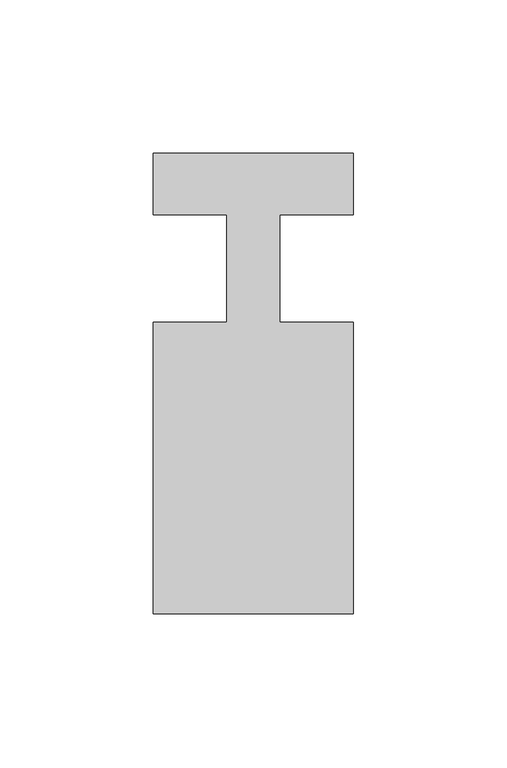
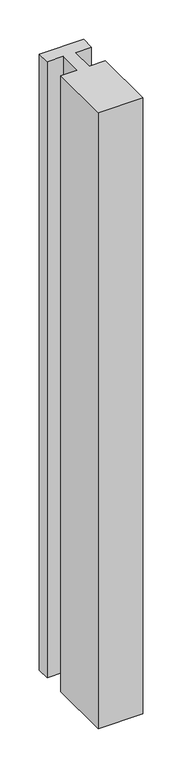
"""IFC4 building model written with IfcOpenShell, lengths in millimetres: member geometry."""

import ifcopenshell
import ifcopenshell.guid

model = None  # the IFC model being written
_history = None  # IfcOwnerHistory: only IFC2X3 demands one
_inside = {}  # id of a spatial element -> (the spatial element, [elements in it])
_under = {}  # id of a project, library or spatial element -> (it, [spatial elements below it])
_declared = {}  # id of a project -> (the project, [libraries it declares])
_typed = {}  # id of a type object -> (the type object, [elements of that type])
_made_of = {}  # id of a material, layer set ... -> (it, [elements and type objects made of it])


def new_model(schema):
    """Start an empty IFC model of exactly this schema.

    Asked for "IFC4X3", IfcOpenShell would pick the latest addendum, in which some entities
    have other attributes; the version numbers below select the first issue.
    IFC2X3 requires an IfcOwnerHistory on every rooted entity: one is made here for all.
    """
    global model, _history
    if schema == "IFC4X3":
        model = ifcopenshell.file(schema_version=(4, 3, 0, 0))
    else:
        model = ifcopenshell.file(schema=schema)
    _inside.clear()
    _under.clear()
    _declared.clear()
    _typed.clear()
    _made_of.clear()
    _history = None
    if model.schema == "IFC2X3":
        org = make("IfcOrganization", Name="unknown")
        user = make(
            "IfcPersonAndOrganization",
            ThePerson=make("IfcPerson", FamilyName="unknown"),
            TheOrganization=org,
        )
        app = make(
            "IfcApplication",
            ApplicationDeveloper=org,
            Version="unknown",
            ApplicationFullName="unknown",
            ApplicationIdentifier="unknown",
        )
        _history = make(
            "IfcOwnerHistory",
            OwningUser=user,
            OwningApplication=app,
            ChangeAction="ADDED",
            CreationDate=0,
        )
    return model


def make(cls, **values):
    """One entity of the class cls with the attributes given. An attribute that is None is left unset."""
    return model.create_entity(
        cls, **{name: value for name, value in values.items() if value is not None}
    )


def rooted(cls, **values):
    """An entity with a GlobalId (a new one), such as an element, a storey or a relation."""
    return make(cls, GlobalId=ifcopenshell.guid.new(), OwnerHistory=_history, **values)


def si_unit(unit_type, name, prefix=None):
    """IfcSIUnit, for example si_unit("LENGTHUNIT", "METRE", prefix="MILLI")."""
    return make("IfcSIUnit", UnitType=unit_type, Prefix=prefix, Name=name)


def assignment(units):
    """IfcUnitAssignment: the units of a project."""
    return None if units is None else make("IfcUnitAssignment", Units=units)


def point(xyz):
    """IfcCartesianPoint."""
    return None if xyz is None else make("IfcCartesianPoint", Coordinates=xyz)


def direction(xyz):
    """IfcDirection."""
    return None if xyz is None else make("IfcDirection", DirectionRatios=xyz)


def frame(location, z_axis=None, x_axis=None):
    """IfcAxis2Placement3D, a coordinate frame: its origin and axes. An axis left out is left unset."""
    return make(
        "IfcAxis2Placement3D",
        Location=point(location),
        Axis=direction(z_axis),
        RefDirection=direction(x_axis),
    )


def origin():
    """The frame at (0, 0, 0) with its axes left unset."""
    return frame((0.0, 0.0, 0.0))


def place(relative_to, where):
    """IfcLocalPlacement: puts the frame where relative to a parent placement (None: the world)."""
    return make(
        "IfcLocalPlacement", PlacementRelTo=relative_to, RelativePlacement=where
    )


def context(
    kind, dimensions, precision=None, world=None, true_north=None, identifier=None
):
    """IfcGeometricRepresentationContext, for example the 3D "Model" context."""
    return make(
        "IfcGeometricRepresentationContext",
        ContextIdentifier=identifier,
        ContextType=kind,
        CoordinateSpaceDimension=dimensions,
        Precision=precision,
        WorldCoordinateSystem=world,
        TrueNorth=true_north,
    )


def project(units=None, contexts=None):
    """IfcProject with its units and contexts."""
    return rooted(
        "IfcProject",
        Name="project",
        RepresentationContexts=contexts,
        UnitsInContext=assignment(units),
    )


def spatial(cls, under=None, at=None, **own):
    """A site, building, storey or space (cls), placed at a placement, below another one or the project."""
    s = rooted(cls, ObjectPlacement=at, **own)
    if under is not None:
        _under.setdefault(under.id(), (under, []))[1].append(s)
    return s


def polyline(points):
    """IfcPolyline through the points."""
    return make("IfcPolyline", Points=[point(p) for p in points])


def outline(outer, holes=None, kind="AREA"):
    """IfcArbitraryClosedProfileDef: a profile drawn as a closed curve; with holes, ...WithVoids."""
    if holes is None:
        return make("IfcArbitraryClosedProfileDef", ProfileType=kind, OuterCurve=outer)
    return make(
        "IfcArbitraryProfileDefWithVoids",
        ProfileType=kind,
        OuterCurve=outer,
        InnerCurves=holes,
    )


def extrude(swept, where, along, depth):
    """IfcExtrudedAreaSolid: the profile swept, set in the frame where, extruded along a direction by depth."""
    return make(
        "IfcExtrudedAreaSolid",
        SweptArea=swept,
        Position=where,
        ExtrudedDirection=direction(along),
        Depth=depth,
    )


def shape(context_of_items, identifier, shape_type, items):
    """IfcShapeRepresentation: the items that make up one representation, for example the "Body"."""
    return make(
        "IfcShapeRepresentation",
        ContextOfItems=context_of_items,
        RepresentationIdentifier=identifier,
        RepresentationType=shape_type,
        Items=items,
    )


def source(mapping_origin, context_of_items, identifier, shape_type, items):
    """IfcRepresentationMap: a shape defined once, which mapped items show again and again."""
    return make(
        "IfcRepresentationMap",
        MappingOrigin=mapping_origin,
        MappedRepresentation=shape(context_of_items, identifier, shape_type, items),
    )


def transform(
    local_origin,
    x_axis=None,
    y_axis=None,
    z_axis=None,
    scale=None,
    scale2=None,
    scale3=None,
    uniform=True,
):
    """IfcCartesianTransformationOperator3D, or its non-uniform kind. x_axis, y_axis, z_axis: its Axis1, 2, 3."""
    if uniform:
        return make(
            "IfcCartesianTransformationOperator3D",
            Axis1=direction(x_axis),
            Axis2=direction(y_axis),
            LocalOrigin=point(local_origin),
            Scale=scale,
            Axis3=direction(z_axis),
        )
    return make(
        "IfcCartesianTransformationOperator3DnonUniform",
        Axis1=direction(x_axis),
        Axis2=direction(y_axis),
        LocalOrigin=point(local_origin),
        Scale=scale,
        Axis3=direction(z_axis),
        Scale2=scale2,
        Scale3=scale3,
    )


def mapped(mapping_source, mapping_target):
    """IfcMappedItem: shows the shape of a source again, moved by a transform."""
    return make(
        "IfcMappedItem", MappingSource=mapping_source, MappingTarget=mapping_target
    )


def made_of(thing, what):
    """Note that an element or type object is made of a material, layer set ...; save() writes the relation."""
    if what is not None:
        _made_of.setdefault(what.id(), (what, []))[1].append(thing)
    return thing


def element(
    cls,
    number,
    at=None,
    inside=None,
    cuts=None,
    type_object=None,
    material=None,
    context=None,
    identifier="Body",
    shape_type=None,
    held_by="IfcProductDefinitionShape",
    body=None,
    shapes=None,
    **own,
):
    """One element of the class cls, such as IfcWall. Its Tag is "e" and its number.

    at: its placement. inside: the storey or other place that contains it. cuts: it is an
    opening in that element (IfcRelVoidsElement). A single representation is given by context,
    identifier, shape_type and body (its items); several are given by shapes. held_by: the class
    of the entity that holds the representations. save() writes the other relations.
    """
    e = rooted(cls, Tag="e%d" % number, ObjectPlacement=at, **own)
    if body is not None:
        shapes = [shape(context, identifier, shape_type, body)]
    if shapes is not None:
        e.Representation = make(held_by, Representations=shapes)
    if inside is not None:
        _inside.setdefault(inside.id(), (inside, []))[1].append(e)
    if cuts is not None:
        rooted(
            "IfcRelVoidsElement", RelatingBuildingElement=cuts, RelatedOpeningElement=e
        )
    if type_object is not None:
        _typed.setdefault(type_object.id(), (type_object, []))[1].append(e)
    return made_of(e, material)


def aggregate(whole, parts):
    """IfcRelAggregates: a whole, such as a stair, and the parts it consists of."""
    return rooted("IfcRelAggregates", RelatingObject=whole, RelatedObjects=parts)


def save(model, path):
    """Write the relations noted so far, then the file.

    IfcRelAggregates (storeys below a building ...), IfcRelContainedInSpatialStructure (elements
    in a storey), IfcRelDefinesByType, IfcRelAssociatesMaterial and IfcRelDeclares: one each for
    every whole, place, type object, material and project.
    """
    for whole, parts in _under.values():
        aggregate(whole, parts)
    for where, things in _inside.values():
        rooted(
            "IfcRelContainedInSpatialStructure",
            RelatedElements=things,
            RelatingStructure=where,
        )
    for kind, things in _typed.values():
        rooted("IfcRelDefinesByType", RelatedObjects=things, RelatingType=kind)
    for what, things in _made_of.values():
        rooted("IfcRelAssociatesMaterial", RelatedObjects=things, RelatingMaterial=what)
    for by, libraries in _declared.values():
        rooted("IfcRelDeclares", RelatingContext=by, RelatedDefinitions=libraries)
    model.write(path)


def member_e8ef68c1(model_context):
    return source(origin(), model_context, "Body", "SweptSolid", [
        extrude(outline(polyline([(-65.0, 37.0), (0.0, 37.0), (0.0, 17.0), (-23.8125, 17.0), (-23.8125, -18.0), (0.0, -18.0), (0.0, -113.0), (-65.0, -113.0), (-65.0, -18.0), (-41.1875, -18.0), (-41.1875, 17.0), (-65.0, 17.0), (-65.0, 37.0)])), frame((0.0, 0.0, -955.8333333), z_axis=(0.0, 0.0, 1.0), x_axis=(1.0, 0.0, 0.0)), (0.0, 0.0, 1.0), 955.8333333),
    ])


if __name__ == "__main__":
    model = new_model("IFC4")
    model_context = context("Model", 3, world=origin())
    ifc_project = project(units=[si_unit("LENGTHUNIT", "METRE", prefix="MILLI")], contexts=[model_context])
    site = spatial("IfcSite", under=ifc_project)
    building = spatial("IfcBuilding", under=site)
    placement = place(None, origin())
    member_shape = member_e8ef68c1(model_context)
    element("IfcMember", 1, at=placement, inside=building, context=model_context, shape_type="MappedRepresentation", body=[
        mapped(member_shape, transform((0.0, 0.0, 0.0), x_axis=(1.0, 0.0, 0.0), y_axis=(0.0, 1.0, 0.0), z_axis=(0.0, 0.0, 1.0))),
    ])
    save(model, "model.ifc")
